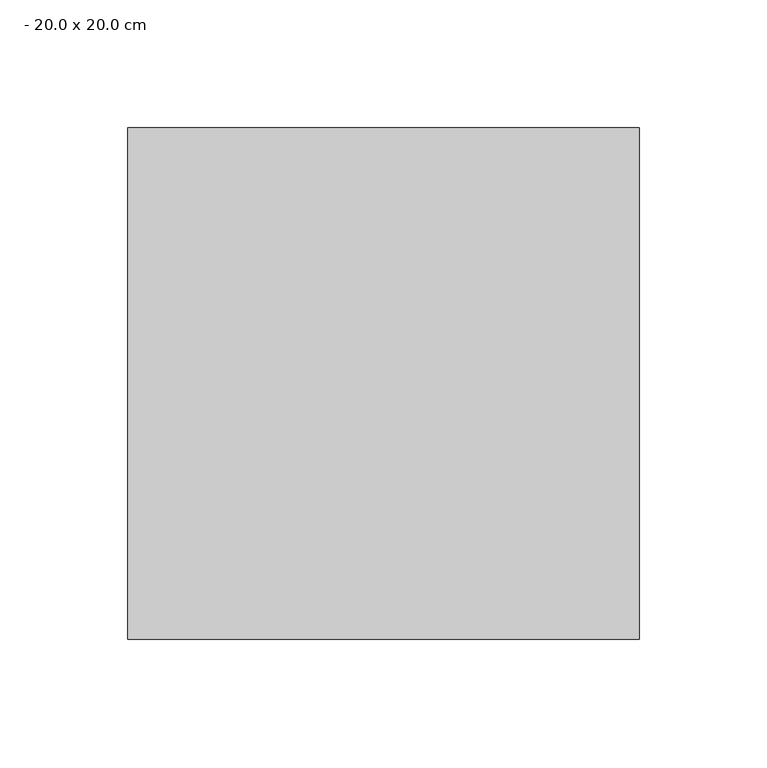
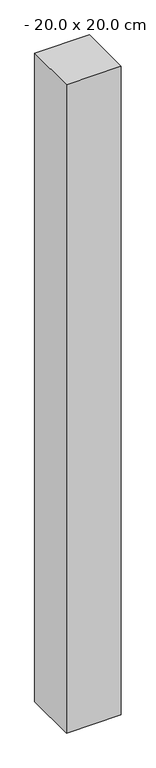
"""IFC4 building model written with IfcOpenShell, lengths in millimetres: column geometry, - 20.0 x 20.0 cm."""

from ifc_helpers import new_model, si_unit, origin, origin_with_axes, place, context, project, spatial, polyline, outline, extrude, source, transform, mapped, element, save


def column_20_0_x_20_0_cm_a6cfb708(model_context):
    return source(origin(), model_context, "Body", "SweptSolid", [
        extrude(outline(polyline([(25.0, 100.0), (25.0, -100.0), (-175.0, -100.0), (-175.0, 100.0), (25.0, 100.0)])), origin_with_axes(), (0.0, 0.0, 1.0), 2500.0),
    ])


if __name__ == "__main__":
    model = new_model("IFC4")
    model_context = context("Model", 3, world=origin())
    ifc_project = project(units=[si_unit("LENGTHUNIT", "METRE", prefix="MILLI")], contexts=[model_context])
    site = spatial("IfcSite", under=ifc_project)
    building = spatial("IfcBuilding", under=site)
    placement = place(None, origin())
    column_20_0_x_20_0_cm_shape = column_20_0_x_20_0_cm_a6cfb708(model_context)
    element("IfcColumn", 1, ObjectType="- 20.0 x 20.0 cm", at=placement, inside=building, context=model_context, shape_type="MappedRepresentation", body=[
        mapped(column_20_0_x_20_0_cm_shape, transform((0.0, 0.0, 0.0), x_axis=(1.0, 0.0, 0.0), y_axis=(0.0, 1.0, 0.0), z_axis=(0.0, 0.0, 1.0))),
    ])
    save(model, "model.ifc")
